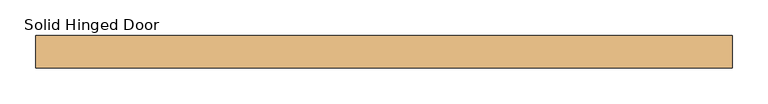
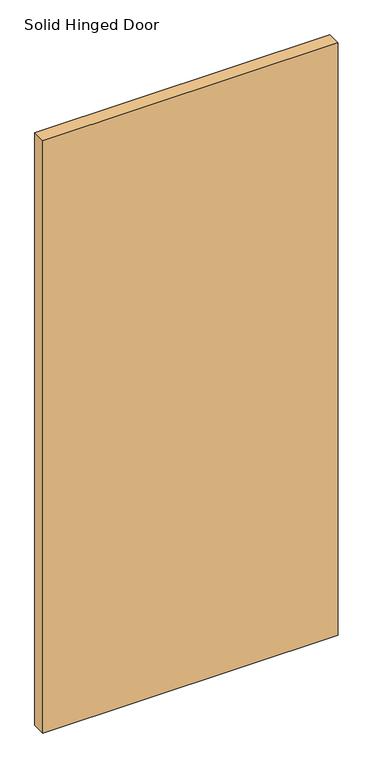
"""IFC4 building model written with IfcOpenShell, lengths in millimetres: door geometry, Solid Hinged Door."""

from ifc_helpers import new_model, si_unit, frame, origin, place, context, project, spatial, polyline, outline, extrude, faceted_brep, source, transform, mapped, element, save


def solid_hinged_door_73ac0cfe(model_context):
    return source(origin(), model_context, "Body", "SolidModel", [
        faceted_brep([(490.4564326, 23.114, 12.7), (490.4564326, 7.1501, 12.7), (-484.1064326, 7.1501, 12.7), (-484.1064326, -7.1501, 12.7), (490.4564326, -7.1501, 12.7), (490.4564326, -23.114, 12.7), (-490.4564326, -23.114, 12.7), (-490.4564326, 23.114, 12.7), (490.4564326, -23.114, 2093.9635027), (490.4564326, -7.1501, 50.8), (490.4564326, 7.1501, 50.8), (490.4564326, 23.114, 2093.9635027), (-490.4564326, 23.114, 2093.9635027), (-490.4564326, -23.114, 2093.9635027), (-484.1064326, -7.1501, 50.8), (-484.1064326, 7.1501, 50.8)], [[[0, 1, 2, 3, 4, 5, 6, 7]], [[8, 5, 4, 9, 10, 1, 0, 11]], [[11, 0, 7, 12]], [[12, 7, 6, 13]], [[13, 6, 5, 8]], [[8, 11, 12, 13]], [[9, 4, 3, 14]], [[14, 3, 2, 15]], [[15, 2, 1, 10]], [[15, 10, 9, 14]]]),
        extrude(outline(polyline([(465.0564326, 9.8925062), (-465.0564326, 9.8925062), (-465.0564326, 11.4927062), (465.0564326, 11.4927062), (465.0564326, 9.8925062)])), frame((0.0, 0.0, 12.7), z_axis=(0.0, 0.0, 1.0), x_axis=(1.0, 0.0, 0.0)), (0.0, 0.0, 1.0), 254.0),
        extrude(outline(polyline([(465.0564326, 21.5138), (-465.0564326, 21.5138), (-465.0564326, 23.114), (465.0564326, 23.114), (465.0564326, 21.5138)])), frame((0.0, 0.0, 12.7), z_axis=(0.0, 0.0, 1.0), x_axis=(1.0, 0.0, 0.0)), (0.0, 0.0, 1.0), 254.0),
    ])


if __name__ == "__main__":
    model = new_model("IFC4")
    model_context = context("Model", 3, world=origin())
    ifc_project = project(units=[si_unit("LENGTHUNIT", "METRE", prefix="MILLI")], contexts=[model_context])
    site = spatial("IfcSite", under=ifc_project)
    building = spatial("IfcBuilding", under=site)
    placement = place(None, origin())
    solid_hinged_door_shape = solid_hinged_door_73ac0cfe(model_context)
    element("IfcDoor", 1, ObjectType="Solid Hinged Door", at=placement, inside=building, context=model_context, shape_type="MappedRepresentation", body=[
        mapped(solid_hinged_door_shape, transform((0.0, 0.0, 0.0), x_axis=(1.0, 0.0, 0.0), y_axis=(0.0, 1.0, 0.0), z_axis=(0.0, 0.0, 1.0))),
    ])
    save(model, "model.ifc")
